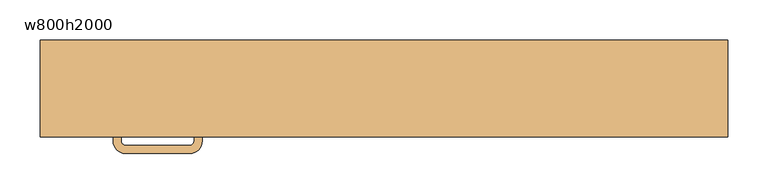
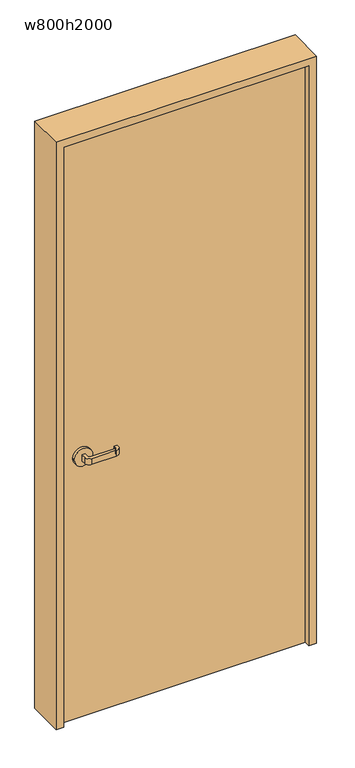
"""IFC4 building model written with IfcOpenShell, lengths in millimetres: door geometry, w800h2000."""

from ifc_helpers import new_model, si_unit, point, frame, frame_2d, origin, origin_with_axes, place, context, project, spatial, polyline, circle_curve, trimmed, segment, composite_curve, outline, extrude, source, transform, mapped, element, save


def w800h2000_fc627520(model_context):
    return source(origin(), model_context, "Body", "SweptSolid", [
        extrude(outline(polyline([(400.0, -40.0), (-400.0, -40.0), (-400.0, 0.0), (400.0, 0.0), (400.0, -40.0)])), origin_with_axes(), (0.0, 0.0, 1.0), 2000.0),
        extrude(outline(composite_curve([segment(polyline([(-325.0, -50.0), (-325.0, -65.0)]), True, "CONTINUOUS"), segment(trimmed(circle_curve(frame_2d((-320.0, -65.0)), 5.0), [point((-325.0, -65.0))], [point((-320.0, -70.0))], True, "CARTESIAN"), True, "CONTINUOUS"), segment(polyline([(-320.0, -70.0), (-240.0, -70.0)]), True, "CONTINUOUS"), segment(trimmed(circle_curve(frame_2d((-240.0, -65.0)), 5.0), [point((-240.0, -70.0))], [point((-235.0, -65.0))], True, "CARTESIAN"), True, "CONTINUOUS"), segment(polyline([(-235.0, -65.0), (-235.0, -60.0), (-225.0, -60.0), (-225.0, -65.0)]), True, "CONTINUOUS"), segment(trimmed(circle_curve(frame_2d((-240.0, -65.0)), 15.0), [point((-225.0, -65.0))], [point((-240.0, -80.0))], False, "CARTESIAN"), True, "CONTINUOUS"), segment(polyline([(-240.0, -80.0), (-320.0, -80.0)]), True, "CONTINUOUS"), segment(trimmed(circle_curve(frame_2d((-320.0, -65.0)), 15.0), [point((-320.0, -80.0))], [point((-335.0, -65.0))], False, "CARTESIAN"), True, "CONTINUOUS"), segment(polyline([(-335.0, -65.0), (-335.0, -50.0), (-325.0, -50.0)]), True, "CONTINUOUS")], self_intersect=False)), frame((0.0, 0.0, 890.0), z_axis=(0.0, 0.0, 1.0), x_axis=(1.0, 0.0, 0.0)), (0.0, 0.0, 1.0), 20.0),
        extrude(outline(composite_curve([segment(trimmed(circle_curve(frame_2d((900.0, -330.0)), 30.0), [point((900.0, -360.0))], [point((900.0, -300.0))], False, "CARTESIAN"), True, "CONTINUOUS"), segment(trimmed(circle_curve(frame_2d((900.0, -330.0)), 30.0), [point((900.0, -300.0))], [point((900.0, -360.0))], False, "CARTESIAN"), True, "CONTINUOUS")], self_intersect=False)), frame((0.0, -50.0, 0.0), z_axis=(0.0, 1.0, 0.0), x_axis=(0.0, 0.0, 1.0)), (0.0, 0.0, 1.0), 10.0),
        extrude(outline(composite_curve([segment(polyline([(-335.0, 10.0), (-335.0, 25.0)]), True, "CONTINUOUS"), segment(trimmed(circle_curve(frame_2d((-320.0, 25.0)), 15.0), [point((-335.0, 25.0))], [point((-320.0, 40.0))], False, "CARTESIAN"), True, "CONTINUOUS"), segment(polyline([(-320.0, 40.0), (-240.0, 40.0)]), True, "CONTINUOUS"), segment(trimmed(circle_curve(frame_2d((-240.0, 25.0)), 15.0), [point((-240.0, 40.0))], [point((-225.0, 25.0))], False, "CARTESIAN"), True, "CONTINUOUS"), segment(polyline([(-225.0, 25.0), (-225.0, 20.0), (-235.0, 20.0), (-235.0, 25.0)]), True, "CONTINUOUS"), segment(trimmed(circle_curve(frame_2d((-240.0, 25.0)), 5.0), [point((-235.0, 25.0))], [point((-240.0, 30.0))], True, "CARTESIAN"), True, "CONTINUOUS"), segment(polyline([(-240.0, 30.0), (-320.0, 30.0)]), True, "CONTINUOUS"), segment(trimmed(circle_curve(frame_2d((-320.0, 25.0)), 5.0), [point((-320.0, 30.0))], [point((-325.0, 25.0))], True, "CARTESIAN"), True, "CONTINUOUS"), segment(polyline([(-325.0, 25.0), (-325.0, 10.0), (-335.0, 10.0)]), True, "CONTINUOUS")], self_intersect=False)), frame((0.0, 0.0, 890.0), z_axis=(0.0, 0.0, 1.0), x_axis=(1.0, 0.0, 0.0)), (0.0, 0.0, 1.0), 20.0),
        extrude(outline(composite_curve([segment(trimmed(circle_curve(frame_2d((900.0, -330.0)), 30.0), [point((900.0, -360.0))], [point((900.0, -300.0))], False, "CARTESIAN"), True, "CONTINUOUS"), segment(trimmed(circle_curve(frame_2d((900.0, -330.0)), 30.0), [point((900.0, -300.0))], [point((900.0, -360.0))], False, "CARTESIAN"), True, "CONTINUOUS")], self_intersect=False)), frame((0.0, 0.0, 0.0), z_axis=(0.0, 1.0, 0.0), x_axis=(0.0, 0.0, 1.0)), (0.0, 0.0, 1.0), 10.0),
        extrude(outline(polyline([(0.0, -400.0), (2000.0, -400.0), (2000.0, 400.0), (0.0, 400.0), (0.0, 425.0), (2025.0, 425.0), (2025.0, -425.0), (0.0, -425.0), (0.0, -400.0)])), frame((0.0, -60.0, 0.0), z_axis=(0.0, 1.0, 0.0), x_axis=(0.0, 0.0, 1.0)), (0.0, 0.0, 1.0), 120.0),
    ])


if __name__ == "__main__":
    model = new_model("IFC4")
    model_context = context("Model", 3, world=origin())
    ifc_project = project(units=[si_unit("LENGTHUNIT", "METRE", prefix="MILLI")], contexts=[model_context])
    site = spatial("IfcSite", under=ifc_project)
    building = spatial("IfcBuilding", under=site)
    placement = place(None, origin())
    w800h2000_shape = w800h2000_fc627520(model_context)
    element("IfcDoor", 1, ObjectType="w800h2000", at=placement, inside=building, context=model_context, shape_type="MappedRepresentation", body=[
        mapped(w800h2000_shape, transform((0.0, 0.0, 0.0), x_axis=(1.0, 0.0, 0.0), y_axis=(0.0, 1.0, 0.0), z_axis=(0.0, 0.0, 1.0))),
    ])
    save(model, "model.ifc")
